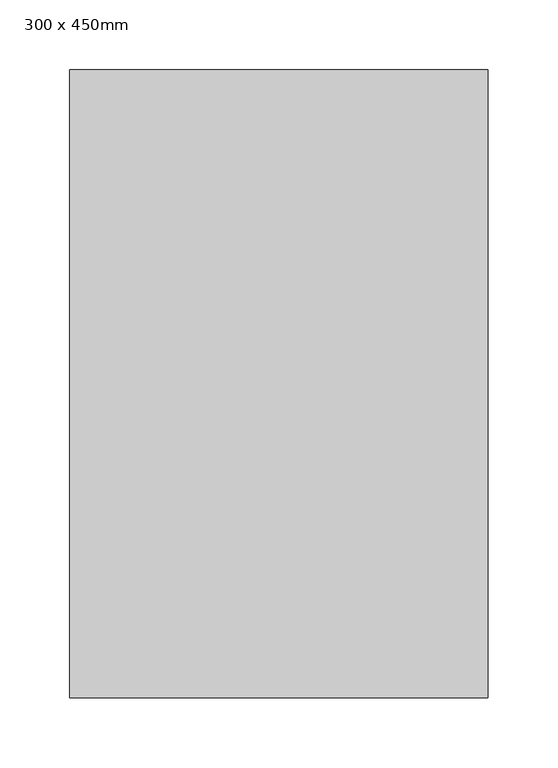
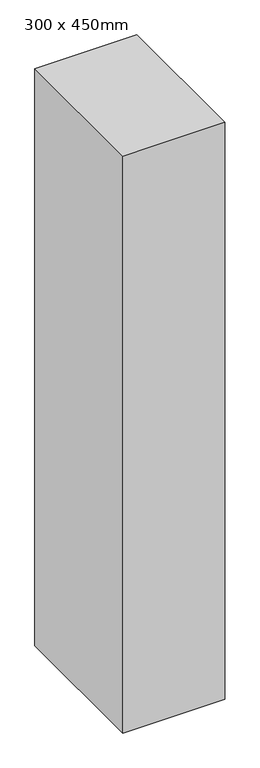
"""IFC4 building model written with IfcOpenShell, lengths in millimetres: column geometry, 300 x 450mm."""

from ifc_helpers import new_model, si_unit, origin, origin_with_axes, place, context, project, spatial, polyline, outline, extrude, source, transform, mapped, element, save


def column_300_x_450mm_cb1b4b9e(model_context):
    return source(origin(), model_context, "Body", "SweptSolid", [
        extrude(outline(polyline([(150.0, 225.0), (150.0, -225.0), (-150.0, -225.0), (-150.0, 225.0), (150.0, 225.0)])), origin_with_axes(), (0.0, 0.0, 1.0), 1800.0),
    ])


if __name__ == "__main__":
    model = new_model("IFC4")
    model_context = context("Model", 3, world=origin())
    ifc_project = project(units=[si_unit("LENGTHUNIT", "METRE", prefix="MILLI")], contexts=[model_context])
    site = spatial("IfcSite", under=ifc_project)
    building = spatial("IfcBuilding", under=site)
    placement = place(None, origin())
    column_300_x_450mm_shape = column_300_x_450mm_cb1b4b9e(model_context)
    element("IfcColumn", 1, ObjectType="300 x 450mm", at=placement, inside=building, context=model_context, shape_type="MappedRepresentation", body=[
        mapped(column_300_x_450mm_shape, transform((0.0, 0.0, 0.0), x_axis=(1.0, 0.0, 0.0), y_axis=(0.0, 1.0, 0.0), z_axis=(0.0, 0.0, 1.0))),
    ])
    save(model, "model.ifc")
